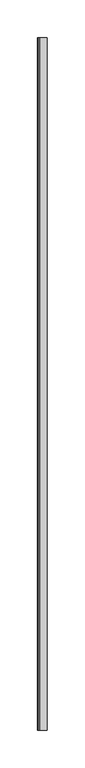
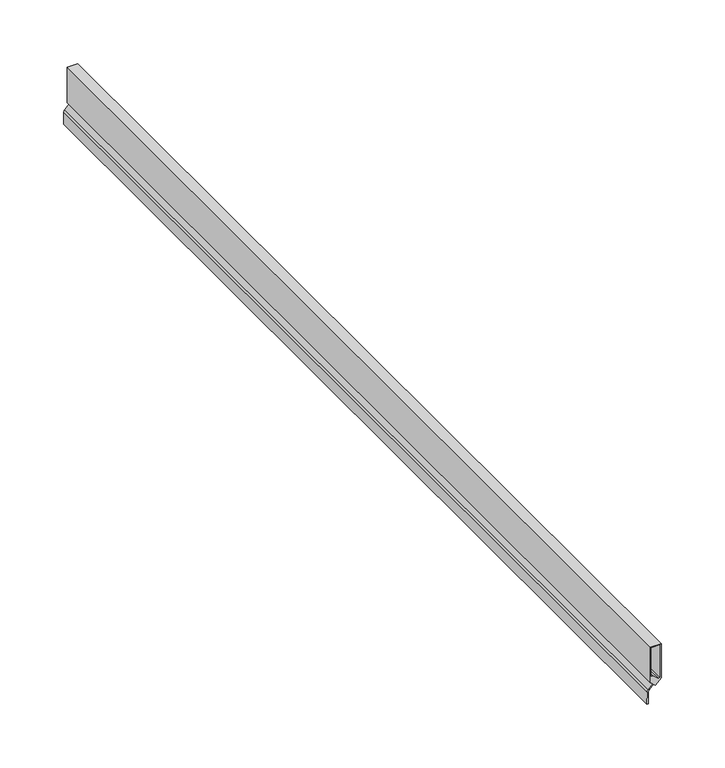
"""IFC4 building model written with IfcOpenShell, lengths in millimetres: proxy geometry."""

from ifc_helpers import new_model, si_unit, point, frame, frame_2d, origin, place, context, project, spatial, polyline, circle_curve, trimmed, segment, composite_curve, outline, extrude, source, transform, mapped, element, save


def generic_models_e03d937d(model_context):
    return source(origin(), model_context, "Body", "SweptSolid", [
        extrude(outline(composite_curve([segment(polyline([(2585.7494208, 37091.910396), (2591.1071202, 37097.2715859), (2623.8476735, 37097.2822477), (2623.8507752, 37087.7572482), (2590.0631547, 37087.7462454), (2588.1815927, 37089.6463203), (2584.0734645, 37085.5381921)]), True, "CONTINUOUS"), segment(trimmed(circle_curve(frame_2d((2581.8284004, 37087.7832561)), 3.175), [point((2584.0734645, 37085.5381921))], [point((2581.8294343, 37084.6082563))], False, "CARTESIAN"), True, "CONTINUOUS"), segment(polyline([(2581.8294343, 37084.6082563), (2570.4496383, 37084.6045506), (2570.4492248, 37085.8745505), (2581.3032118, 37085.878085)]), True, "CONTINUOUS"), segment(trimmed(circle_curve(frame_2d((2581.3021779, 37089.0530849)), 3.175), [point((2581.3032118, 37085.878085))], [point((2583.5472413, 37086.8080202))], True, "CARTESIAN"), True, "CONTINUOUS"), segment(polyline([(2583.5472413, 37086.8080202), (2587.2379301, 37090.4642848), (2585.7494208, 37091.910396)]), True, "CONTINUOUS")], self_intersect=False), holes=[polyline([(2591.4897724, 37094.8346007), (2595.7905433, 37090.2028363), (2595.8753454, 37088.6521084), (2623.1120976, 37088.6521084), (2623.1120976, 37095.9425612), (2592.144742, 37095.9425612), (2591.4897724, 37094.8346007)])]), frame((0.0, -24997.0039568, 0.0), z_axis=(0.0, 1.0, 0.0), x_axis=(0.0, 0.0, 1.0)), (0.0, 0.0, 1.0), 914.4),
    ])


if __name__ == "__main__":
    model = new_model("IFC4")
    model_context = context("Model", 3, world=origin())
    ifc_project = project(units=[si_unit("LENGTHUNIT", "METRE", prefix="MILLI")], contexts=[model_context])
    site = spatial("IfcSite", under=ifc_project)
    building = spatial("IfcBuilding", under=site)
    placement = place(None, origin())
    generic_models_shape = generic_models_e03d937d(model_context)
    element("IfcBuildingElementProxy", 1, Name="Generic Models", at=placement, inside=building, context=model_context, shape_type="MappedRepresentation", body=[
        mapped(generic_models_shape, transform((0.0, 0.0, 0.0), x_axis=(1.0, 0.0, 0.0), y_axis=(0.0, 1.0, 0.0), z_axis=(0.0, 0.0, 1.0))),
    ])
    save(model, "model.ifc")
